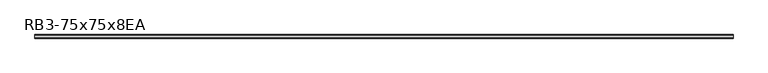
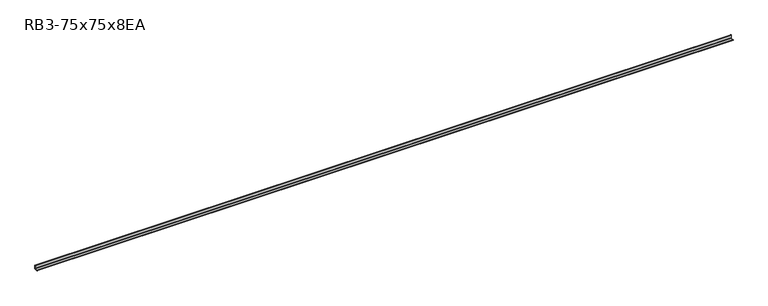
"""IFC4 building model written with IfcOpenShell, lengths in millimetres: member geometry, RB3-75x75x8EA."""

import ifcopenshell
import ifcopenshell.guid

model = None  # the IFC model being written
_history = None  # IfcOwnerHistory: only IFC2X3 demands one
_inside = {}  # id of a spatial element -> (the spatial element, [elements in it])
_under = {}  # id of a project, library or spatial element -> (it, [spatial elements below it])
_declared = {}  # id of a project -> (the project, [libraries it declares])
_typed = {}  # id of a type object -> (the type object, [elements of that type])
_made_of = {}  # id of a material, layer set ... -> (it, [elements and type objects made of it])


def new_model(schema):
    """Start an empty IFC model of exactly this schema.

    Asked for "IFC4X3", IfcOpenShell would pick the latest addendum, in which some entities
    have other attributes; the version numbers below select the first issue.
    IFC2X3 requires an IfcOwnerHistory on every rooted entity: one is made here for all.
    """
    global model, _history
    if schema == "IFC4X3":
        model = ifcopenshell.file(schema_version=(4, 3, 0, 0))
    else:
        model = ifcopenshell.file(schema=schema)
    _inside.clear()
    _under.clear()
    _declared.clear()
    _typed.clear()
    _made_of.clear()
    _history = None
    if model.schema == "IFC2X3":
        org = make("IfcOrganization", Name="unknown")
        user = make(
            "IfcPersonAndOrganization",
            ThePerson=make("IfcPerson", FamilyName="unknown"),
            TheOrganization=org,
        )
        app = make(
            "IfcApplication",
            ApplicationDeveloper=org,
            Version="unknown",
            ApplicationFullName="unknown",
            ApplicationIdentifier="unknown",
        )
        _history = make(
            "IfcOwnerHistory",
            OwningUser=user,
            OwningApplication=app,
            ChangeAction="ADDED",
            CreationDate=0,
        )
    return model


def make(cls, **values):
    """One entity of the class cls with the attributes given. An attribute that is None is left unset."""
    return model.create_entity(
        cls, **{name: value for name, value in values.items() if value is not None}
    )


def rooted(cls, **values):
    """An entity with a GlobalId (a new one), such as an element, a storey or a relation."""
    return make(cls, GlobalId=ifcopenshell.guid.new(), OwnerHistory=_history, **values)


def si_unit(unit_type, name, prefix=None):
    """IfcSIUnit, for example si_unit("LENGTHUNIT", "METRE", prefix="MILLI")."""
    return make("IfcSIUnit", UnitType=unit_type, Prefix=prefix, Name=name)


def assignment(units):
    """IfcUnitAssignment: the units of a project."""
    return None if units is None else make("IfcUnitAssignment", Units=units)


def point(xyz):
    """IfcCartesianPoint."""
    return None if xyz is None else make("IfcCartesianPoint", Coordinates=xyz)


def direction(xyz):
    """IfcDirection."""
    return None if xyz is None else make("IfcDirection", DirectionRatios=xyz)


def frame(location, z_axis=None, x_axis=None):
    """IfcAxis2Placement3D, a coordinate frame: its origin and axes. An axis left out is left unset."""
    return make(
        "IfcAxis2Placement3D",
        Location=point(location),
        Axis=direction(z_axis),
        RefDirection=direction(x_axis),
    )


def frame_2d(location, x_axis=None):
    """IfcAxis2Placement2D, a coordinate frame in the plane: its origin and x axis."""
    return make(
        "IfcAxis2Placement2D", Location=point(location), RefDirection=direction(x_axis)
    )


def origin():
    """The frame at (0, 0, 0) with its axes left unset."""
    return frame((0.0, 0.0, 0.0))


def place(relative_to, where):
    """IfcLocalPlacement: puts the frame where relative to a parent placement (None: the world)."""
    return make(
        "IfcLocalPlacement", PlacementRelTo=relative_to, RelativePlacement=where
    )


def context(
    kind, dimensions, precision=None, world=None, true_north=None, identifier=None
):
    """IfcGeometricRepresentationContext, for example the 3D "Model" context."""
    return make(
        "IfcGeometricRepresentationContext",
        ContextIdentifier=identifier,
        ContextType=kind,
        CoordinateSpaceDimension=dimensions,
        Precision=precision,
        WorldCoordinateSystem=world,
        TrueNorth=true_north,
    )


def project(units=None, contexts=None):
    """IfcProject with its units and contexts."""
    return rooted(
        "IfcProject",
        Name="project",
        RepresentationContexts=contexts,
        UnitsInContext=assignment(units),
    )


def spatial(cls, under=None, at=None, **own):
    """A site, building, storey or space (cls), placed at a placement, below another one or the project."""
    s = rooted(cls, ObjectPlacement=at, **own)
    if under is not None:
        _under.setdefault(under.id(), (under, []))[1].append(s)
    return s


def polyline(points):
    """IfcPolyline through the points."""
    return make("IfcPolyline", Points=[point(p) for p in points])


def circle_curve(where, radius):
    """IfcCircle in the frame where."""
    return make("IfcCircle", Position=where, Radius=radius)


def trimmed(basis, trim1, trim2, sense, master):
    """IfcTrimmedCurve: the piece of a basis curve between two trims."""
    return make(
        "IfcTrimmedCurve",
        BasisCurve=basis,
        Trim1=trim1,
        Trim2=trim2,
        SenseAgreement=sense,
        MasterRepresentation=master,
    )


def segment(curve, same_sense, transition):
    """IfcCompositeCurveSegment."""
    return make(
        "IfcCompositeCurveSegment",
        Transition=transition,
        SameSense=same_sense,
        ParentCurve=curve,
    )


def composite_curve(segments, self_intersect=None):
    """IfcCompositeCurve: segments joined end to end."""
    return make("IfcCompositeCurve", Segments=segments, SelfIntersect=self_intersect)


def outline(outer, holes=None, kind="AREA"):
    """IfcArbitraryClosedProfileDef: a profile drawn as a closed curve; with holes, ...WithVoids."""
    if holes is None:
        return make("IfcArbitraryClosedProfileDef", ProfileType=kind, OuterCurve=outer)
    return make(
        "IfcArbitraryProfileDefWithVoids",
        ProfileType=kind,
        OuterCurve=outer,
        InnerCurves=holes,
    )


def extrude(swept, where, along, depth):
    """IfcExtrudedAreaSolid: the profile swept, set in the frame where, extruded along a direction by depth."""
    return make(
        "IfcExtrudedAreaSolid",
        SweptArea=swept,
        Position=where,
        ExtrudedDirection=direction(along),
        Depth=depth,
    )


def shape(context_of_items, identifier, shape_type, items):
    """IfcShapeRepresentation: the items that make up one representation, for example the "Body"."""
    return make(
        "IfcShapeRepresentation",
        ContextOfItems=context_of_items,
        RepresentationIdentifier=identifier,
        RepresentationType=shape_type,
        Items=items,
    )


def source(mapping_origin, context_of_items, identifier, shape_type, items):
    """IfcRepresentationMap: a shape defined once, which mapped items show again and again."""
    return make(
        "IfcRepresentationMap",
        MappingOrigin=mapping_origin,
        MappedRepresentation=shape(context_of_items, identifier, shape_type, items),
    )


def transform(
    local_origin,
    x_axis=None,
    y_axis=None,
    z_axis=None,
    scale=None,
    scale2=None,
    scale3=None,
    uniform=True,
):
    """IfcCartesianTransformationOperator3D, or its non-uniform kind. x_axis, y_axis, z_axis: its Axis1, 2, 3."""
    if uniform:
        return make(
            "IfcCartesianTransformationOperator3D",
            Axis1=direction(x_axis),
            Axis2=direction(y_axis),
            LocalOrigin=point(local_origin),
            Scale=scale,
            Axis3=direction(z_axis),
        )
    return make(
        "IfcCartesianTransformationOperator3DnonUniform",
        Axis1=direction(x_axis),
        Axis2=direction(y_axis),
        LocalOrigin=point(local_origin),
        Scale=scale,
        Axis3=direction(z_axis),
        Scale2=scale2,
        Scale3=scale3,
    )


def mapped(mapping_source, mapping_target):
    """IfcMappedItem: shows the shape of a source again, moved by a transform."""
    return make(
        "IfcMappedItem", MappingSource=mapping_source, MappingTarget=mapping_target
    )


def made_of(thing, what):
    """Note that an element or type object is made of a material, layer set ...; save() writes the relation."""
    if what is not None:
        _made_of.setdefault(what.id(), (what, []))[1].append(thing)
    return thing


def element(
    cls,
    number,
    at=None,
    inside=None,
    cuts=None,
    type_object=None,
    material=None,
    context=None,
    identifier="Body",
    shape_type=None,
    held_by="IfcProductDefinitionShape",
    body=None,
    shapes=None,
    **own,
):
    """One element of the class cls, such as IfcWall. Its Tag is "e" and its number.

    at: its placement. inside: the storey or other place that contains it. cuts: it is an
    opening in that element (IfcRelVoidsElement). A single representation is given by context,
    identifier, shape_type and body (its items); several are given by shapes. held_by: the class
    of the entity that holds the representations. save() writes the other relations.
    """
    e = rooted(cls, Tag="e%d" % number, ObjectPlacement=at, **own)
    if body is not None:
        shapes = [shape(context, identifier, shape_type, body)]
    if shapes is not None:
        e.Representation = make(held_by, Representations=shapes)
    if inside is not None:
        _inside.setdefault(inside.id(), (inside, []))[1].append(e)
    if cuts is not None:
        rooted(
            "IfcRelVoidsElement", RelatingBuildingElement=cuts, RelatedOpeningElement=e
        )
    if type_object is not None:
        _typed.setdefault(type_object.id(), (type_object, []))[1].append(e)
    return made_of(e, material)


def aggregate(whole, parts):
    """IfcRelAggregates: a whole, such as a stair, and the parts it consists of."""
    return rooted("IfcRelAggregates", RelatingObject=whole, RelatedObjects=parts)


def save(model, path):
    """Write the relations noted so far, then the file.

    IfcRelAggregates (storeys below a building ...), IfcRelContainedInSpatialStructure (elements
    in a storey), IfcRelDefinesByType, IfcRelAssociatesMaterial and IfcRelDeclares: one each for
    every whole, place, type object, material and project.
    """
    for whole, parts in _under.values():
        aggregate(whole, parts)
    for where, things in _inside.values():
        rooted(
            "IfcRelContainedInSpatialStructure",
            RelatedElements=things,
            RelatingStructure=where,
        )
    for kind, things in _typed.values():
        rooted("IfcRelDefinesByType", RelatedObjects=things, RelatingType=kind)
    for what, things in _made_of.values():
        rooted("IfcRelAssociatesMaterial", RelatedObjects=things, RelatingMaterial=what)
    for by, libraries in _declared.values():
        rooted("IfcRelDeclares", RelatingContext=by, RelatedDefinitions=libraries)
    model.write(path)


def rb3_75x75x8ea_f2b032b6(model_context):
    return source(origin(), model_context, "Body", "SweptSolid", [
        extrude(outline(composite_curve([segment(polyline([(21.3, -21.3), (-53.7, -21.3), (-53.7, -18.3)]), True, "CONTINUOUS"), segment(trimmed(circle_curve(frame_2d((-48.7, -18.3)), 5.0), [point((-53.7, -18.3))], [point((-48.7, -13.3))], False, "CARTESIAN"), True, "CONTINUOUS"), segment(polyline([(-48.7, -13.3), (5.3, -13.3)]), True, "CONTINUOUS"), segment(trimmed(circle_curve(frame_2d((5.3, -5.3)), 8.0), [point((5.3, -13.3))], [point((13.3, -5.3))], True, "CARTESIAN"), True, "CONTINUOUS"), segment(polyline([(13.3, -5.3), (13.3, 48.7)]), True, "CONTINUOUS"), segment(trimmed(circle_curve(frame_2d((18.3, 48.7)), 5.0), [point((13.3, 48.7))], [point((18.3, 53.7))], False, "CARTESIAN"), True, "CONTINUOUS"), segment(polyline([(18.3, 53.7), (21.3, 53.7), (21.3, -21.3)]), True, "CONTINUOUS")], self_intersect=False)), frame((-7262.0, 0.0, 0.0), z_axis=(1.0, 0.0, 0.0), x_axis=(0.0, 1.0, 0.0)), (0.0, 0.0, 1.0), 14463.0459728),
    ])


if __name__ == "__main__":
    model = new_model("IFC4")
    model_context = context("Model", 3, world=origin())
    ifc_project = project(units=[si_unit("LENGTHUNIT", "METRE", prefix="MILLI")], contexts=[model_context])
    site = spatial("IfcSite", under=ifc_project)
    building = spatial("IfcBuilding", under=site)
    placement = place(None, origin())
    rb3_75x75x8ea_shape = rb3_75x75x8ea_f2b032b6(model_context)
    element("IfcMember", 1, ObjectType="RB3-75x75x8EA", at=placement, inside=building, context=model_context, shape_type="MappedRepresentation", body=[
        mapped(rb3_75x75x8ea_shape, transform((0.0, 0.0, 0.0), x_axis=(1.0, 0.0, 0.0), y_axis=(0.0, 1.0, 0.0), z_axis=(0.0, 0.0, 1.0))),
    ])
    save(model, "model.ifc")
